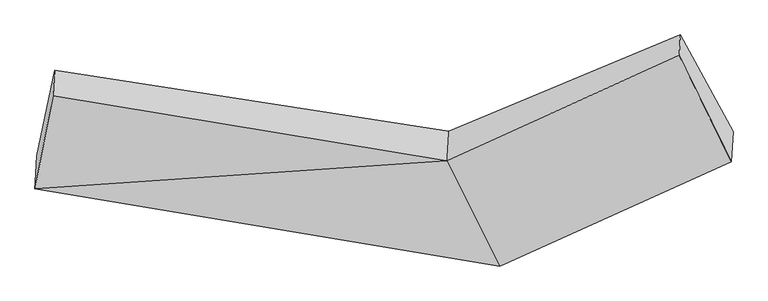
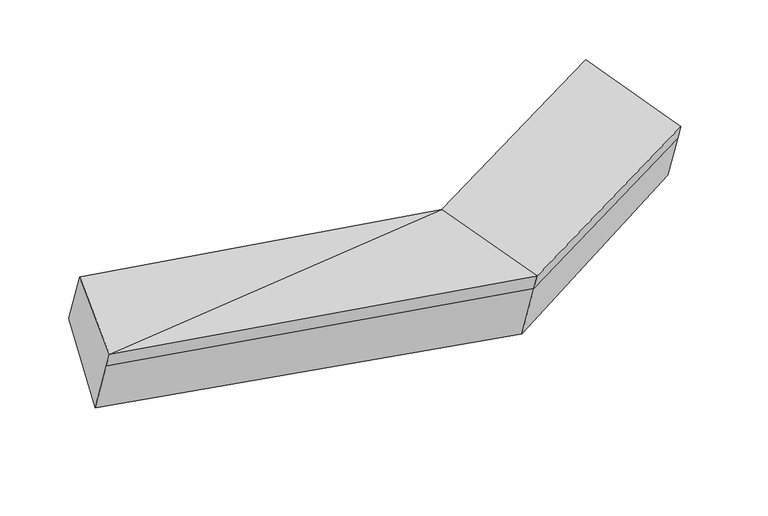
"""IFC4 building model written with IfcOpenShell, lengths in millimetres: proxy geometry."""

import ifcopenshell
import ifcopenshell.guid

model = None  # the IFC model being written
_history = None  # IfcOwnerHistory: only IFC2X3 demands one
_inside = {}  # id of a spatial element -> (the spatial element, [elements in it])
_under = {}  # id of a project, library or spatial element -> (it, [spatial elements below it])
_declared = {}  # id of a project -> (the project, [libraries it declares])
_typed = {}  # id of a type object -> (the type object, [elements of that type])
_made_of = {}  # id of a material, layer set ... -> (it, [elements and type objects made of it])


def new_model(schema):
    """Start an empty IFC model of exactly this schema.

    Asked for "IFC4X3", IfcOpenShell would pick the latest addendum, in which some entities
    have other attributes; the version numbers below select the first issue.
    IFC2X3 requires an IfcOwnerHistory on every rooted entity: one is made here for all.
    """
    global model, _history
    if schema == "IFC4X3":
        model = ifcopenshell.file(schema_version=(4, 3, 0, 0))
    else:
        model = ifcopenshell.file(schema=schema)
    _inside.clear()
    _under.clear()
    _declared.clear()
    _typed.clear()
    _made_of.clear()
    _history = None
    if model.schema == "IFC2X3":
        org = make("IfcOrganization", Name="unknown")
        user = make(
            "IfcPersonAndOrganization",
            ThePerson=make("IfcPerson", FamilyName="unknown"),
            TheOrganization=org,
        )
        app = make(
            "IfcApplication",
            ApplicationDeveloper=org,
            Version="unknown",
            ApplicationFullName="unknown",
            ApplicationIdentifier="unknown",
        )
        _history = make(
            "IfcOwnerHistory",
            OwningUser=user,
            OwningApplication=app,
            ChangeAction="ADDED",
            CreationDate=0,
        )
    return model


def make(cls, **values):
    """One entity of the class cls with the attributes given. An attribute that is None is left unset."""
    return model.create_entity(
        cls, **{name: value for name, value in values.items() if value is not None}
    )


def rooted(cls, **values):
    """An entity with a GlobalId (a new one), such as an element, a storey or a relation."""
    return make(cls, GlobalId=ifcopenshell.guid.new(), OwnerHistory=_history, **values)


def si_unit(unit_type, name, prefix=None):
    """IfcSIUnit, for example si_unit("LENGTHUNIT", "METRE", prefix="MILLI")."""
    return make("IfcSIUnit", UnitType=unit_type, Prefix=prefix, Name=name)


def assignment(units):
    """IfcUnitAssignment: the units of a project."""
    return None if units is None else make("IfcUnitAssignment", Units=units)


def point(xyz):
    """IfcCartesianPoint."""
    return None if xyz is None else make("IfcCartesianPoint", Coordinates=xyz)


def direction(xyz):
    """IfcDirection."""
    return None if xyz is None else make("IfcDirection", DirectionRatios=xyz)


def frame(location, z_axis=None, x_axis=None):
    """IfcAxis2Placement3D, a coordinate frame: its origin and axes. An axis left out is left unset."""
    return make(
        "IfcAxis2Placement3D",
        Location=point(location),
        Axis=direction(z_axis),
        RefDirection=direction(x_axis),
    )


def origin():
    """The frame at (0, 0, 0) with its axes left unset."""
    return frame((0.0, 0.0, 0.0))


def place(relative_to, where):
    """IfcLocalPlacement: puts the frame where relative to a parent placement (None: the world)."""
    return make(
        "IfcLocalPlacement", PlacementRelTo=relative_to, RelativePlacement=where
    )


def context(
    kind, dimensions, precision=None, world=None, true_north=None, identifier=None
):
    """IfcGeometricRepresentationContext, for example the 3D "Model" context."""
    return make(
        "IfcGeometricRepresentationContext",
        ContextIdentifier=identifier,
        ContextType=kind,
        CoordinateSpaceDimension=dimensions,
        Precision=precision,
        WorldCoordinateSystem=world,
        TrueNorth=true_north,
    )


def project(units=None, contexts=None):
    """IfcProject with its units and contexts."""
    return rooted(
        "IfcProject",
        Name="project",
        RepresentationContexts=contexts,
        UnitsInContext=assignment(units),
    )


def spatial(cls, under=None, at=None, **own):
    """A site, building, storey or space (cls), placed at a placement, below another one or the project."""
    s = rooted(cls, ObjectPlacement=at, **own)
    if under is not None:
        _under.setdefault(under.id(), (under, []))[1].append(s)
    return s


def shape(context_of_items, identifier, shape_type, items):
    """IfcShapeRepresentation: the items that make up one representation, for example the "Body"."""
    return make(
        "IfcShapeRepresentation",
        ContextOfItems=context_of_items,
        RepresentationIdentifier=identifier,
        RepresentationType=shape_type,
        Items=items,
    )


def source(mapping_origin, context_of_items, identifier, shape_type, items):
    """IfcRepresentationMap: a shape defined once, which mapped items show again and again."""
    return make(
        "IfcRepresentationMap",
        MappingOrigin=mapping_origin,
        MappedRepresentation=shape(context_of_items, identifier, shape_type, items),
    )


def transform(
    local_origin,
    x_axis=None,
    y_axis=None,
    z_axis=None,
    scale=None,
    scale2=None,
    scale3=None,
    uniform=True,
):
    """IfcCartesianTransformationOperator3D, or its non-uniform kind. x_axis, y_axis, z_axis: its Axis1, 2, 3."""
    if uniform:
        return make(
            "IfcCartesianTransformationOperator3D",
            Axis1=direction(x_axis),
            Axis2=direction(y_axis),
            LocalOrigin=point(local_origin),
            Scale=scale,
            Axis3=direction(z_axis),
        )
    return make(
        "IfcCartesianTransformationOperator3DnonUniform",
        Axis1=direction(x_axis),
        Axis2=direction(y_axis),
        LocalOrigin=point(local_origin),
        Scale=scale,
        Axis3=direction(z_axis),
        Scale2=scale2,
        Scale3=scale3,
    )


def mapped(mapping_source, mapping_target):
    """IfcMappedItem: shows the shape of a source again, moved by a transform."""
    return make(
        "IfcMappedItem", MappingSource=mapping_source, MappingTarget=mapping_target
    )


def made_of(thing, what):
    """Note that an element or type object is made of a material, layer set ...; save() writes the relation."""
    if what is not None:
        _made_of.setdefault(what.id(), (what, []))[1].append(thing)
    return thing


def element(
    cls,
    number,
    at=None,
    inside=None,
    cuts=None,
    type_object=None,
    material=None,
    context=None,
    identifier="Body",
    shape_type=None,
    held_by="IfcProductDefinitionShape",
    body=None,
    shapes=None,
    **own,
):
    """One element of the class cls, such as IfcWall. Its Tag is "e" and its number.

    at: its placement. inside: the storey or other place that contains it. cuts: it is an
    opening in that element (IfcRelVoidsElement). A single representation is given by context,
    identifier, shape_type and body (its items); several are given by shapes. held_by: the class
    of the entity that holds the representations. save() writes the other relations.
    """
    e = rooted(cls, Tag="e%d" % number, ObjectPlacement=at, **own)
    if body is not None:
        shapes = [shape(context, identifier, shape_type, body)]
    if shapes is not None:
        e.Representation = make(held_by, Representations=shapes)
    if inside is not None:
        _inside.setdefault(inside.id(), (inside, []))[1].append(e)
    if cuts is not None:
        rooted(
            "IfcRelVoidsElement", RelatingBuildingElement=cuts, RelatedOpeningElement=e
        )
    if type_object is not None:
        _typed.setdefault(type_object.id(), (type_object, []))[1].append(e)
    return made_of(e, material)


def aggregate(whole, parts):
    """IfcRelAggregates: a whole, such as a stair, and the parts it consists of."""
    return rooted("IfcRelAggregates", RelatingObject=whole, RelatedObjects=parts)


def save(model, path):
    """Write the relations noted so far, then the file.

    IfcRelAggregates (storeys below a building ...), IfcRelContainedInSpatialStructure (elements
    in a storey), IfcRelDefinesByType, IfcRelAssociatesMaterial and IfcRelDeclares: one each for
    every whole, place, type object, material and project.
    """
    for whole, parts in _under.values():
        aggregate(whole, parts)
    for where, things in _inside.values():
        rooted(
            "IfcRelContainedInSpatialStructure",
            RelatedElements=things,
            RelatingStructure=where,
        )
    for kind, things in _typed.values():
        rooted("IfcRelDefinesByType", RelatedObjects=things, RelatingType=kind)
    for what, things in _made_of.values():
        rooted("IfcRelAssociatesMaterial", RelatedObjects=things, RelatingMaterial=what)
    for by, libraries in _declared.values():
        rooted("IfcRelDeclares", RelatingContext=by, RelatedDefinitions=libraries)
    model.write(path)


def plane_surface(at):
    """IfcPlane: the flat surface through the origin of the frame at, square to its z axis."""
    return make("IfcPlane", Position=at)


def spline_surface(u_degree, v_degree, points, u_multiplicities, v_multiplicities, u_knots, v_knots, weights=None):
    """IfcBSplineSurfaceWithKnots; with weights, IfcRationalBSplineSurfaceWithKnots. points: one row for each step in u."""
    own = dict(
        UDegree=u_degree,
        VDegree=v_degree,
        ControlPointsList=[[point(p) for p in row] for row in points],
        SurfaceForm="UNSPECIFIED",
        UClosed=False,
        VClosed=False,
        SelfIntersect=False,
        UMultiplicities=u_multiplicities,
        VMultiplicities=v_multiplicities,
        UKnots=u_knots,
        VKnots=v_knots,
        KnotSpec="UNSPECIFIED",
    )
    if weights is None:
        return make("IfcBSplineSurfaceWithKnots", **own)
    return make("IfcRationalBSplineSurfaceWithKnots", WeightsData=weights, **own)


def advanced_brep(points, edges, surfaces, faces):
    """IfcAdvancedBrep: a solid bounded by faces that lie on surfaces and meet in shared edges.

    An edge is (start, end): straight between two places in points (the first is 0);
    or (start, end, curve); or (start, end, curve, False) where it runs against its curve.
    A face is (place in surfaces, loops), or (place, loops, False) where it looks against
    its surface's normal. A loop lists edges by number (the first is 1), with a minus sign
    where the edge is run from its end to its start. The first loop is the outer one.
    """
    corners = [point(p) for p in points]
    vertices = [make("IfcVertexPoint", VertexGeometry=c) for c in corners]
    made = []
    for start, end, *more in edges:
        made.append(
            make(
                "IfcEdgeCurve",
                EdgeStart=vertices[start],
                EdgeEnd=vertices[end],
                EdgeGeometry=more[0] if more else make("IfcPolyline", Points=[corners[start], corners[end]]),
                SameSense=more[1] if len(more) > 1 else True,
            )
        )
    hull = []
    for where, loops, *sense in faces:
        bounds = []
        for j, loop in enumerate(loops):
            ring = [make("IfcOrientedEdge", EdgeElement=made[abs(k) - 1], Orientation=k > 0) for k in loop]
            bounds.append(
                make(
                    "IfcFaceOuterBound" if j == 0 else "IfcFaceBound",
                    Bound=make("IfcEdgeLoop", EdgeList=ring),
                    Orientation=True,
                )
            )
        hull.append(make("IfcAdvancedFace", Bounds=bounds, FaceSurface=surfaces[where], SameSense=sense[0] if sense else True))
    return make("IfcAdvancedBrep", Outer=make("IfcClosedShell", CfsFaces=hull))


def generic_models_8e3d931b(model_context):
    return source(origin(), model_context, "Body", "AdvancedBrep", [
        advanced_brep(
        [(-2612.7879718, -1896.8843295, 2054.1664314), (-2609.6971336, -1847.9350467, 1923.0389574), (611.0292004, -2378.4225569, 1791.1713238), (607.607201, -2432.6164058, 1936.34817), (-2487.4571049, -1252.6572358, 2297.607647), (239.2518448, -1701.7649074, 2200.4890772), (-2476.2878597, -1075.7710579, 1823.7572385), (251.9711063, -1500.3312843, 1660.8799014), (-2598.3673511, -1668.5064559, 1442.3778222), (623.2215136, -2185.3341588, 1273.9177009), (1857.8338602, -831.9781594, 2123.5100721), (1848.8398092, -974.4160113, 2505.0788026), (2209.3700114, -1708.6388553, 2239.494939), (2212.4608496, -1659.6895725, 2108.367465), (2222.423065, -1501.9190006, 1685.7247754)],
        [
            (0, 1),
            (1, 2),
            (2, 3),
            (3, 0),
            (4, 0),
            (0, 5),
            (5, 4),
            (6, 4),
            (5, 7),
            (7, 6),
            (8, 6),
            (7, 9),
            (9, 8),
            (1, 8),
            (9, 2),
            (10, 11),
            (11, 12),
            (12, 13),
            (13, 14),
            (14, 10),
            (3, 5),
            (5, 11),
            (10, 7),
            (3, 12),
            (2, 13),
            (9, 14),
        ],
        [
            plane_surface(frame((-2611.2425527, -1872.4096881, 1988.6026944), z_axis=(-0.16621105811461348, -0.9225316947723805, -0.34829464006903743), x_axis=(0.022077415304171847, 0.349637734667522, -0.9366248140157567))),
            plane_surface(frame((-2550.1225384, -1574.7707827, 2175.8870392), z_axis=(-0.024162997514823842, -0.3492650796682138, 0.9367123644296873), x_axis=(-0.17904409551366235, -0.92032441968815, -0.3477731651340637))),
            plane_surface(frame((-2481.8724823, -1164.2141469, 2060.6824427), z_axis=(0.16440418270874535, 0.9228295219530959, 0.3483632272782105), x_axis=(-0.022077415304150912, -0.34963773466751213, 0.9366248140157608))),
            spline_surface(1, 1, [[(-2598.3673511, -1668.5064559, 1442.3778222), (623.2215136, -2185.3341588, 1273.9177009)], [(-2476.2878597, -1075.7710579, 1823.7572385), (251.9711063, -1500.3312843, 1660.8799014)]], [2, 2], [2, 2], [0.0, 1.0], [0.0, 1.0]),
            plane_surface(frame((-2604.0322423, -1758.2207513, 1682.7083898), z_axis=(-0.16621105811461276, -0.9225316947723923, -0.3482946400690064), x_axis=(0.022077415304123764, 0.3496377346674984, -0.9366248140157666))),
            plane_surface(frame((2034.6166865, -1254.2380066, 2138.4521473), z_axis=(0.9076156688077179, 0.38583503292830496, 0.1654240765424823), x_axis=(-0.022077415304233596, -0.3496377346675478, 0.9366248140157456))),
            plane_surface(frame((-2543.7250719, -1473.4547698, 1904.4772848), z_axis=(-0.9835933100602006, 0.175375075259415, 0.042282187532964484), x_axis=(-0.02207741530416642, -0.3496377346674851, 0.9366248140157705))),
            plane_surface(frame((-2612.7879718, -1896.8843295, 2054.1664314), z_axis=(-0.02405495792358439, -0.35050029020251994, 0.9362536545014091), x_axis=(0.4283201816590102, -0.8498273236914242, -0.3071405897810706))),
            plane_surface(frame((245.6114755, -1601.0480959, 1930.6844893), z_axis=(-0.4395031748786551, 0.8448650503782553, 0.30502459887840294), x_axis=(-0.022077415304233596, -0.3496377346675478, 0.9366248140157456))),
            spline_surface(1, 1, [[(239.2518448, -1701.7649074, 2200.4890772), (1848.8398092, -974.4160113, 2505.0788026)], [(607.607201, -2432.6164058, 1936.34817), (2209.3700114, -1708.6388553, 2239.494939)]], [2, 2], [2, 2], [0.0, 1.0], [0.0, 1.0]),
            plane_surface(frame((609.3182007, -2405.5194814, 1863.7597469), z_axis=(0.43957904480269044, -0.8448308351408846, -0.3050100381389269), x_axis=(0.022077415304173353, 0.3496377346675245, -0.9366248140157556))),
            plane_surface(frame((617.125357, -2281.8783579, 1532.5445123), z_axis=(0.4395790448026903, -0.8448308351408862, -0.30501003813892325), x_axis=(0.02207741530413898, 0.3496377346675048, -0.9366248140157638))),
            spline_surface(1, 1, [[(623.2215136, -2185.3341588, 1273.9177009), (2222.423065, -1501.9190006, 1685.7247754)], [(251.9711063, -1500.3312843, 1660.8799014), (1857.8338602, -831.9781594, 2123.5100721)]], [2, 2], [2, 2], [0.0, 1.0], [0.0, 1.0]),
        ],
        [
            (0, [[1, 2, 3, 4]]),
            (1, [[5, 6, 7]]),
            (2, [[8, -7, 9, 10]]),
            (3, [[11, -10, 12, 13]]),
            (4, [[14, -13, 15, -2]]),
            (5, [[16, 17, 18, 19, 20]]),
            (6, [[-1, -5, -8, -11, -14]]),
            (7, [[21, -6, -4]]),
            (8, [[-9, 22, -16, 23]]),
            (9, [[-21, 24, -17, -22]]),
            (10, [[-3, 25, -18, -24]]),
            (11, [[-15, 26, -19, -25]]),
            (12, [[-12, -23, -20, -26]]),
        ],
    ),
    ])


if __name__ == "__main__":
    model = new_model("IFC4")
    model_context = context("Model", 3, world=origin())
    ifc_project = project(units=[si_unit("LENGTHUNIT", "METRE", prefix="MILLI")], contexts=[model_context])
    site = spatial("IfcSite", under=ifc_project)
    building = spatial("IfcBuilding", under=site)
    placement = place(None, origin())
    generic_models_shape = generic_models_8e3d931b(model_context)
    element("IfcBuildingElementProxy", 1, Name="Generic Models", at=placement, inside=building, context=model_context, shape_type="MappedRepresentation", body=[
        mapped(generic_models_shape, transform((0.0, 0.0, 0.0), x_axis=(1.0, 0.0, 0.0), y_axis=(0.0, 1.0, 0.0), z_axis=(0.0, 0.0, 1.0))),
    ])
    save(model, "model.ifc")
